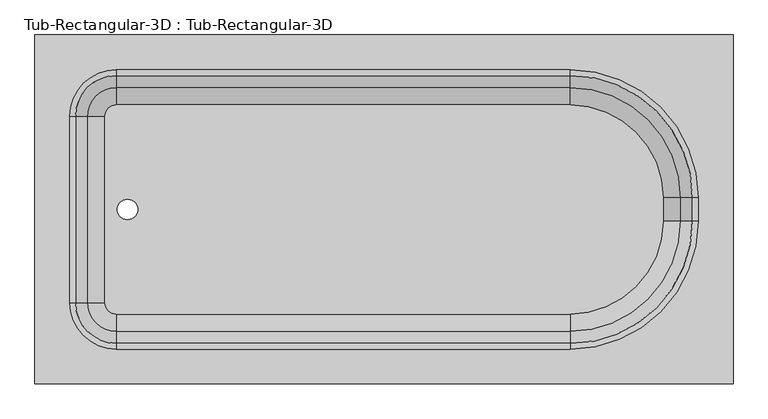
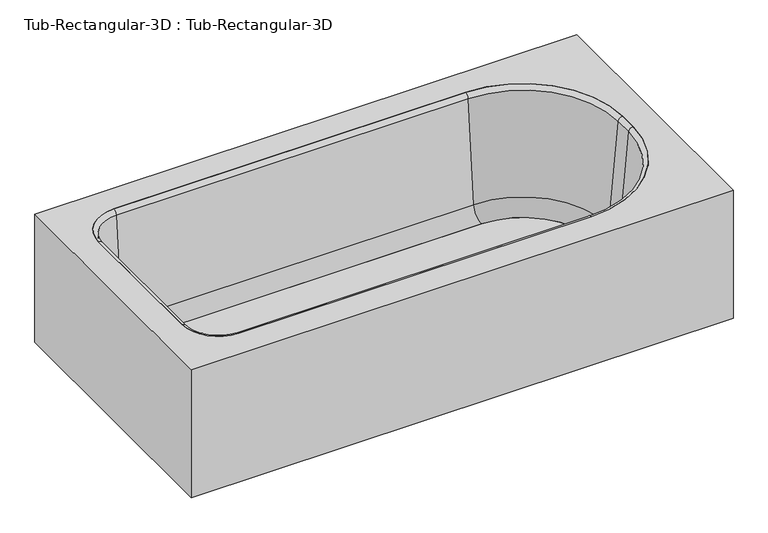
"""IFC4 building model written with IfcOpenShell, lengths in millimetres: flow terminal geometry, Tub-Rectangular-3D : Tub-Rectangular-3D."""

from ifc_helpers import new_model, si_unit, point, frame, frame_2d, origin, place, context, project, spatial, polyline, circle_curve, ellipse_curve, trimmed, segment, composite_curve, outline, extrude, source, transform, mapped, element, save
from ifc_brep_helpers import plane_surface, cylinder_surface, revolved_surface, advanced_brep


def tub_rectangular_3d_tub_rectangular_3d_1bd01900(model_context):
    return source(origin(), model_context, "Body", "SolidModel", [
        advanced_brep(
        [(413.3970313, 915.9875, 381.0), (-1110.6029687, 915.9875, 381.0), (-1110.6029687, 153.9875, 381.0), (413.3970313, 153.9875, 381.0), (-932.8029687, 839.7875, 381.0), (57.7970313, 839.7875, 381.0), (337.1970313, 560.3875, 381.0), (337.1970313, 509.5875, 381.0), (57.7970313, 230.1875, 381.0), (-932.8029687, 230.1875, 381.0), (-1034.4029687, 331.7875, 381.0), (-1034.4029687, 738.1875, 381.0), (394.3470313, 896.9375, 361.95), (394.3470313, 173.0375, 361.95), (-1091.5529687, 173.0375, 361.95), (-1091.5529687, 896.9375, 361.95), (-932.8029687, 839.7875, 361.95), (-1034.4029687, 738.1875, 361.95), (-1034.4029687, 331.7875, 361.95), (-932.8029687, 230.1875, 361.95), (57.7970313, 230.1875, 361.95), (337.1970313, 509.5875, 361.95), (337.1970313, 560.3875, 361.95), (57.7970313, 839.7875, 361.95), (413.3970313, 915.9875, 0.0), (-1110.6029687, 915.9875, 0.0), (-1110.6029687, 153.9875, 0.0), (413.3970313, 153.9875, 0.0), (394.3470313, 896.9375, 0.0), (-1091.5529687, 896.9375, 0.0), (-1091.5529687, 173.0375, 0.0), (394.3470313, 173.0375, 0.0)],
        [
            (0, 1),
            (1, 2),
            (2, 3),
            (3, 0),
            (4, 5),
            (5, 6, circle_curve(frame((57.7970313, 560.3875, 381.0), z_axis=(0.0, 0.0, -1.0), x_axis=(0.0, 1.0, 0.0)), 279.4)),
            (6, 7),
            (7, 8, circle_curve(frame((57.7970313, 509.5875, 381.0), z_axis=(0.0, 0.0, -1.0), x_axis=(0.0, 1.0, 0.0)), 279.4)),
            (8, 9),
            (9, 10, circle_curve(frame((-932.8029687, 331.7875, 381.0), z_axis=(0.0, 0.0, -1.0), x_axis=(0.0, 1.0, 0.0)), 101.6)),
            (10, 11),
            (11, 4, circle_curve(frame((-932.8029687, 738.1875, 381.0), z_axis=(0.0, 0.0, -1.0), x_axis=(0.0, 1.0, 0.0)), 101.6)),
            (12, 13),
            (13, 14),
            (14, 15),
            (15, 12),
            (16, 17, circle_curve(frame((-932.8029687, 738.1875, 361.95), z_axis=(0.0, 0.0, 1.0), x_axis=(0.0, 1.0, 0.0)), 101.6)),
            (17, 18),
            (18, 19, circle_curve(frame((-932.8029687, 331.7875, 361.95), z_axis=(0.0, 0.0, 1.0), x_axis=(0.0, 1.0, 0.0)), 101.6)),
            (19, 20),
            (20, 21, circle_curve(frame((57.7970313, 509.5875, 361.95), z_axis=(0.0, 0.0, 1.0), x_axis=(0.0, 1.0, 0.0)), 279.4)),
            (21, 22),
            (22, 23, circle_curve(frame((57.7970313, 560.3875, 361.95), z_axis=(0.0, 0.0, 1.0), x_axis=(0.0, 1.0, 0.0)), 279.4)),
            (23, 16),
            (0, 24),
            (24, 25),
            (25, 1),
            (25, 26),
            (26, 2),
            (26, 27),
            (27, 3),
            (27, 24),
            (4, 16),
            (23, 5),
            (22, 6),
            (21, 7),
            (20, 8),
            (19, 9),
            (18, 10),
            (17, 11),
            (28, 29),
            (29, 30),
            (30, 31),
            (31, 28),
            (31, 13),
            (12, 28),
            (30, 14),
            (29, 15),
        ],
        [
            plane_surface(frame((-1110.6029687, 915.9875, 381.0), z_axis=(0.0, 0.0, 1.0), x_axis=(-1.0, 0.0, 0.0))),
            plane_surface(frame((-1110.6029687, 915.9875, 361.95), z_axis=(0.0, 0.0, -1.0), x_axis=(1.0, 0.0, 0.0))),
            plane_surface(frame((413.3970313, 915.9875, 381.0), z_axis=(0.0, 1.0, 0.0), x_axis=(0.0, 0.0, -1.0))),
            plane_surface(frame((-1110.6029687, 915.9875, 381.0), z_axis=(-1.0, 0.0, 0.0), x_axis=(0.0, 0.0, -1.0))),
            plane_surface(frame((-1110.6029687, 153.9875, 381.0), z_axis=(0.0, -1.0, 0.0), x_axis=(0.0, 0.0, -1.0))),
            plane_surface(frame((413.3970313, 153.9875, 381.0), z_axis=(1.0, 0.0, 0.0), x_axis=(0.0, 0.0, -1.0))),
            plane_surface(frame((-932.8029687, 839.7875, 381.0), z_axis=(0.0, -1.0, 0.0), x_axis=(0.0, 0.0, -1.0))),
            revolved_surface(polyline([(57.7970313, 839.7875, 361.95), (57.7970313, 839.7875, 381.0)]), (57.7970313, 560.3875, 381.0), (0.0, 0.0, -1.0)),
            plane_surface(frame((337.1970313, 560.3875, 381.0), z_axis=(-1.0, 0.0, 0.0), x_axis=(0.0, 0.0, -1.0))),
            revolved_surface(polyline([(57.7970313, 788.9875, 361.95), (57.7970313, 788.9875, 381.0)]), (57.7970313, 509.5875, 381.0), (0.0, 0.0, -1.0)),
            plane_surface(frame((57.7970313, 230.1875, 381.0), z_axis=(0.0, 1.0, 0.0), x_axis=(0.0, 0.0, -1.0))),
            revolved_surface(polyline([(-932.8029687, 433.38750000000005, 361.95), (-932.8029687, 433.38750000000005, 381.0)]), (-932.8029687, 331.7875, 381.0), (0.0, 0.0, -1.0)),
            plane_surface(frame((-1034.4029687, 331.7875, 381.0), z_axis=(1.0, 0.0, 0.0), x_axis=(0.0, 0.0, -1.0))),
            revolved_surface(polyline([(-932.8029687, 839.7875, 361.95), (-932.8029687, 839.7875, 381.0)]), (-932.8029687, 738.1875, 381.0), (0.0, 0.0, -1.0)),
            plane_surface(frame((-1110.6029687, 915.9875, 0.0), z_axis=(0.0, 0.0, -1.0), x_axis=(1.0, 0.0, 0.0))),
            plane_surface(frame((394.3470313, 896.9375, 361.95), z_axis=(-1.0, 0.0, 0.0), x_axis=(0.0, 0.0, -1.0))),
            plane_surface(frame((394.3470313, 173.0375, 361.95), z_axis=(0.0, 1.0, 0.0), x_axis=(0.0, 0.0, -1.0))),
            plane_surface(frame((-1091.5529687, 173.0375, 361.95), z_axis=(1.0, 0.0, 0.0), x_axis=(0.0, 0.0, -1.0))),
            plane_surface(frame((-1091.5529687, 896.9375, 361.95), z_axis=(0.0, -1.0, 0.0), x_axis=(0.0, 0.0, -1.0))),
        ],
        [
            (0, [[1, 2, 3, 4], [5, 6, 7, 8, 9, 10, 11, 12]]),
            (1, [[13, 14, 15, 16], [17, 18, 19, 20, 21, 22, 23, 24]]),
            (2, [[-1, 25, 26, 27]]),
            (3, [[-2, -27, 28, 29]]),
            (4, [[-3, -29, 30, 31]]),
            (5, [[-25, -4, -31, 32]]),
            (6, [[-5, 33, -24, 34]]),
            (7, [[-6, -34, -23, 35]]),
            (8, [[-7, -35, -22, 36]]),
            (9, [[-8, -36, -21, 37]]),
            (10, [[-9, -37, -20, 38]]),
            (11, [[-10, -38, -19, 39]]),
            (12, [[-11, -39, -18, 40]]),
            (13, [[-12, -40, -17, -33]]),
            (14, [[-32, -30, -28, -26], [41, 42, 43, 44]]),
            (15, [[-44, 45, -13, 46]]),
            (16, [[-43, 47, -14, -45]]),
            (17, [[-42, 48, -15, -47]]),
            (18, [[-41, -46, -16, -48]]),
        ],
    ),
        extrude(outline(composite_curve([segment(trimmed(circle_curve(frame_2d((57.7970313, 560.3875)), 202.7964741), [point((57.7970313, 763.1839741))], [point((260.5935054, 560.3875))], False, "CARTESIAN"), True, "CONTINUOUS"), segment(polyline([(260.5935054, 560.3875), (260.5935054, 509.5875)]), True, "CONTINUOUS"), segment(trimmed(circle_curve(frame_2d((57.7970313, 509.5875)), 202.7964741), [point((260.5935054, 509.5875))], [point((57.7970313, 306.7910259))], False, "CARTESIAN"), True, "CONTINUOUS"), segment(polyline([(57.7970313, 306.7910259), (-932.8029687, 306.7910259)]), True, "CONTINUOUS"), segment(trimmed(circle_curve(frame_2d((-932.8029687, 331.7875)), 24.9964741), [point((-932.8029687, 306.7910259))], [point((-957.7994428, 331.7875))], False, "CARTESIAN"), True, "CONTINUOUS"), segment(polyline([(-957.7994428, 331.7875), (-957.7994428, 738.1875)]), True, "CONTINUOUS"), segment(trimmed(circle_curve(frame_2d((-932.8029687, 738.1875)), 24.9964741), [point((-957.7994428, 738.1875))], [point((-932.8029687, 763.1839741))], False, "CARTESIAN"), True, "CONTINUOUS"), segment(polyline([(-932.8029687, 763.1839741), (57.7970313, 763.1839741)]), True, "CONTINUOUS")], self_intersect=False), holes=[composite_curve([segment(trimmed(circle_curve(frame_2d((-908.510206, 534.9875)), 22.225), [point((-908.510206, 557.2125))], [point((-908.510206, 512.7625))], True, "CARTESIAN"), True, "CONTINUOUS"), segment(trimmed(circle_curve(frame_2d((-908.510206, 534.9875)), 22.225), [point((-908.510206, 512.7625))], [point((-908.510206, 557.2125))], True, "CARTESIAN"), True, "CONTINUOUS")], self_intersect=False)]), frame((0.0, 0.0, 16.863573), z_axis=(0.0, 0.0, 1.0), x_axis=(1.0, 0.0, 0.0)), (0.0, 0.0, 1.0), 19.05),
        advanced_brep(
        [(-995.7544608, 738.1875, 70.6929392), (-932.8029687, 801.1389921, 70.6929392), (-932.8029687, 827.3095035, 369.8232535), (-1021.9249722, 738.1875, 369.8232535), (-957.7994428, 738.1875, 35.913573), (-932.8029687, 763.1839741, 35.913573), (-957.7994428, 738.1875, 16.863573), (-932.8029687, 763.1839741, 16.863573), (-1034.4029687, 738.1875, 16.863573), (-932.8029687, 839.7875, 16.863573), (-1034.4029687, 738.1875, 381.0), (-932.8029687, 839.7875, 381.0), (-1021.9249722, 331.7875, 369.8232535), (-995.7544608, 331.7875, 70.6929392), (-957.7994428, 331.7875, 35.913573), (-957.7994428, 331.7875, 16.863573), (-1034.4029687, 331.7875, 16.863573), (-1034.4029687, 331.7875, 381.0), (-932.8029687, 268.8360079, 70.6929392), (-932.8029687, 242.6654965, 369.8232535), (-932.8029687, 306.7910259, 35.913573), (-932.8029687, 306.7910259, 16.863573), (-932.8029687, 230.1875, 16.863573), (-932.8029687, 230.1875, 381.0), (57.7970313, 242.6654965, 369.8232535), (57.7970313, 268.8360079, 70.6929392), (57.7970313, 306.7910259, 35.913573), (57.7970313, 306.7910259, 16.863573), (57.7970313, 230.1875, 16.863573), (57.7970313, 230.1875, 381.0), (298.5485234, 509.5875, 70.6929392), (324.7190348, 509.5875, 369.8232535), (260.5935054, 509.5875, 35.913573), (260.5935054, 509.5875, 16.863573), (337.1970313, 509.5875, 16.863573), (337.1970313, 509.5875, 381.0), (324.7190348, 560.3875, 369.8232535), (298.5485234, 560.3875, 70.6929392), (260.5935054, 560.3875, 35.913573), (260.5935054, 560.3875, 16.863573), (337.1970313, 560.3875, 16.863573), (337.1970313, 560.3875, 381.0), (57.7970313, 801.1389921, 70.6929392), (57.7970313, 827.3095035, 369.8232535), (57.7970313, 763.1839741, 35.913573), (57.7970313, 763.1839741, 16.863573), (57.7970313, 839.7875, 16.863573), (57.7970313, 839.7875, 381.0)],
        [
            (0, 1, circle_curve(frame((-932.8029687, 738.1875, 70.6929392), z_axis=(0.0, 0.0, -1.0), x_axis=(0.0, 1.0, 0.0)), 62.9514921)),
            (1, 2),
            (2, 3, circle_curve(frame((-932.8029687, 738.1875, 369.8232535), z_axis=(0.0, 0.0, 1.0), x_axis=(0.0, 1.0, 0.0)), 89.1220035)),
            (3, 0),
            (4, 5, circle_curve(frame((-932.8029687, 738.1875, 35.913573), z_axis=(0.0, 0.0, -1.0), x_axis=(0.0, 1.0, 0.0)), 24.9964741)),
            (5, 1, circle_curve(frame((-932.8029687, 763.1839741, 74.013573), z_axis=(1.0, 0.0, 0.0), x_axis=(0.0, -1.0, 0.0)), 38.1)),
            (0, 4, circle_curve(frame((-957.7994428, 738.1875, 74.013573), z_axis=(0.0, -1.0, 0.0), x_axis=(1.0, 0.0, 0.0)), 38.1)),
            (6, 7, circle_curve(frame((-932.8029687, 738.1875, 16.863573), z_axis=(0.0, 0.0, -1.0), x_axis=(0.0, 1.0, 0.0)), 24.9964741)),
            (7, 5),
            (4, 6),
            (8, 9, circle_curve(frame((-932.8029687, 738.1875, 16.863573), z_axis=(0.0, 0.0, -1.0), x_axis=(0.0, 1.0, 0.0)), 101.6)),
            (9, 7),
            (6, 8),
            (10, 11, circle_curve(frame((-932.8029687, 738.1875, 381.0), z_axis=(0.0, 0.0, -1.0), x_axis=(0.0, 1.0, 0.0)), 101.6)),
            (11, 9),
            (8, 10),
            (2, 11, circle_curve(frame((-932.8029687, 839.7875, 368.4462547), z_axis=(-1.0, 0.0, 0.0), x_axis=(0.0, -1.0, 0.0)), 12.5537453)),
            (10, 3, circle_curve(frame((-1034.4029687, 738.1875, 368.4462547), z_axis=(0.0, 1.0, 0.0), x_axis=(1.0, 0.0, 0.0)), 12.5537453)),
            (3, 12),
            (12, 13),
            (13, 0),
            (13, 14, circle_curve(frame((-957.7994428, 331.7875, 74.013573), z_axis=(0.0, -1.0, 0.0), x_axis=(1.0, 0.0, 0.0)), 38.1)),
            (14, 4),
            (14, 15),
            (15, 6),
            (15, 16),
            (16, 8),
            (16, 17),
            (17, 10),
            (17, 12, circle_curve(frame((-1034.4029687, 331.7875, 368.4462547), z_axis=(0.0, 1.0, 0.0), x_axis=(1.0, 0.0, 0.0)), 12.5537453)),
            (18, 13, circle_curve(frame((-932.8029687, 331.7875, 70.6929392), z_axis=(0.0, 0.0, -1.0), x_axis=(-1.0, 0.0, 0.0)), 62.9514921)),
            (12, 19, circle_curve(frame((-932.8029687, 331.7875, 369.8232535), z_axis=(0.0, 0.0, 1.0), x_axis=(-1.0, 0.0, 0.0)), 89.1220035)),
            (19, 18),
            (20, 14, circle_curve(frame((-932.8029687, 331.7875, 35.913573), z_axis=(0.0, 0.0, -1.0), x_axis=(-1.0, 0.0, 0.0)), 24.9964741)),
            (18, 20, circle_curve(frame((-932.8029687, 306.7910259, 74.013573), z_axis=(1.0, 0.0, 0.0), x_axis=(0.0, 1.0, 0.0)), 38.1)),
            (21, 15, circle_curve(frame((-932.8029687, 331.7875, 16.863573), z_axis=(0.0, 0.0, -1.0), x_axis=(-1.0, 0.0, 0.0)), 24.9964741)),
            (20, 21),
            (22, 16, circle_curve(frame((-932.8029687, 331.7875, 16.863573), z_axis=(0.0, 0.0, -1.0), x_axis=(-1.0, 0.0, 0.0)), 101.6)),
            (21, 22),
            (23, 17, circle_curve(frame((-932.8029687, 331.7875, 381.0), z_axis=(0.0, 0.0, -1.0), x_axis=(-1.0, 0.0, 0.0)), 101.6)),
            (22, 23),
            (23, 19, circle_curve(frame((-932.8029687, 230.1875, 368.4462547), z_axis=(-1.0, 0.0, 0.0), x_axis=(0.0, 1.0, 0.0)), 12.5537453)),
            (19, 24),
            (24, 25),
            (25, 18),
            (25, 26, circle_curve(frame((57.7970313, 306.7910259, 74.013573), z_axis=(1.0, 0.0, 0.0), x_axis=(0.0, 1.0, 0.0)), 38.1)),
            (26, 20),
            (26, 27),
            (27, 21),
            (27, 28),
            (28, 22),
            (28, 29),
            (29, 23),
            (29, 24, circle_curve(frame((57.7970313, 230.1875, 368.4462547), z_axis=(-1.0, 0.0, 0.0), x_axis=(0.0, 1.0, 0.0)), 12.5537453)),
            (30, 25, circle_curve(frame((57.7970313, 509.5875, 70.6929392), z_axis=(0.0, 0.0, -1.0), x_axis=(0.0, -1.0, 0.0)), 240.7514921)),
            (24, 31, circle_curve(frame((57.7970313, 509.5875, 369.8232535), z_axis=(0.0, 0.0, 1.0), x_axis=(0.0, -1.0, 0.0)), 266.9220035)),
            (31, 30),
            (32, 26, circle_curve(frame((57.7970313, 509.5875, 35.913573), z_axis=(0.0, 0.0, -1.0), x_axis=(0.0, -1.0, 0.0)), 202.7964741)),
            (30, 32, circle_curve(frame((260.5935054, 509.5875, 74.013573), z_axis=(0.0, 1.0, 0.0), x_axis=(-1.0, 0.0, 0.0)), 38.1)),
            (33, 27, circle_curve(frame((57.7970313, 509.5875, 16.863573), z_axis=(0.0, 0.0, -1.0), x_axis=(0.0, -1.0, 0.0)), 202.7964741)),
            (32, 33),
            (34, 28, circle_curve(frame((57.7970313, 509.5875, 16.863573), z_axis=(0.0, 0.0, -1.0), x_axis=(0.0, -1.0, 0.0)), 279.4)),
            (33, 34),
            (35, 29, circle_curve(frame((57.7970313, 509.5875, 381.0), z_axis=(0.0, 0.0, -1.0), x_axis=(0.0, -1.0, 0.0)), 279.4)),
            (34, 35),
            (35, 31, circle_curve(frame((337.1970313, 509.5875, 368.4462547), z_axis=(0.0, -1.0, 0.0), x_axis=(-1.0, 0.0, 0.0)), 12.5537453)),
            (31, 36),
            (36, 37),
            (37, 30),
            (37, 38, circle_curve(frame((260.5935054, 560.3875, 74.013573), z_axis=(0.0, 1.0, 0.0), x_axis=(-1.0, 0.0, 0.0)), 38.1)),
            (38, 32),
            (38, 39),
            (39, 33),
            (39, 40),
            (40, 34),
            (40, 41),
            (41, 35),
            (41, 36, circle_curve(frame((337.1970313, 560.3875, 368.4462547), z_axis=(0.0, -1.0, 0.0), x_axis=(-1.0, 0.0, 0.0)), 12.5537453)),
            (42, 37, circle_curve(frame((57.7970313, 560.3875, 70.6929392), z_axis=(0.0, 0.0, -1.0), x_axis=(1.0, 0.0, 0.0)), 240.7514921)),
            (36, 43, circle_curve(frame((57.7970313, 560.3875, 369.8232535), z_axis=(0.0, 0.0, 1.0), x_axis=(1.0, 0.0, 0.0)), 266.9220035)),
            (43, 42),
            (44, 38, circle_curve(frame((57.7970313, 560.3875, 35.913573), z_axis=(0.0, 0.0, -1.0), x_axis=(1.0, 0.0, 0.0)), 202.7964741)),
            (42, 44, circle_curve(frame((57.7970313, 763.1839741, 74.013573), z_axis=(-1.0, 0.0, 0.0), x_axis=(0.0, -1.0, 0.0)), 38.1)),
            (45, 39, circle_curve(frame((57.7970313, 560.3875, 16.863573), z_axis=(0.0, 0.0, -1.0), x_axis=(1.0, 0.0, 0.0)), 202.7964741)),
            (44, 45),
            (46, 40, circle_curve(frame((57.7970313, 560.3875, 16.863573), z_axis=(0.0, 0.0, -1.0), x_axis=(1.0, 0.0, 0.0)), 279.4)),
            (45, 46),
            (47, 41, circle_curve(frame((57.7970313, 560.3875, 381.0), z_axis=(0.0, 0.0, -1.0), x_axis=(1.0, 0.0, 0.0)), 279.4)),
            (46, 47),
            (47, 43, circle_curve(frame((57.7970313, 839.7875, 368.4462547), z_axis=(1.0, 0.0, 0.0), x_axis=(0.0, -1.0, 0.0)), 12.5537453)),
            (43, 2),
            (1, 42),
            (5, 44),
            (7, 45),
            (9, 46),
            (11, 47),
        ],
        [
            revolved_surface(polyline([(-932.8029687, 827.3095035, 369.8232535), (-932.8029687, 801.1389921, 70.6929392)]), (-932.8029687, 738.1875, 381.0), (0.0, 0.0, 1.0)),
            revolved_surface(trimmed(ellipse_curve(frame((-932.8029687, 763.1839741, 74.013573), z_axis=(-1.0, 0.0, 0.0), x_axis=(0.0, -1.0, 0.0)), 38.1, 38.1), [point((-932.8029687, 801.1389921, 70.6929392))], [point((-932.8029687, 763.1839741, 35.913573))], True, "CARTESIAN"), (-932.8029687, 738.1875, 381.0), (0.0, 0.0, 1.0)),
            revolved_surface(polyline([(-932.8029687, 763.1839741, 35.913572999999985), (-932.8029687, 763.1839741, 16.863572999999974)]), (-932.8029687, 738.1875, 381.0), (0.0, 0.0, 1.0)),
            plane_surface(frame((-932.8029687, 738.1875, 16.863573), z_axis=(0.0, 0.0, -1.0), x_axis=(0.0, 1.0, 0.0))),
            cylinder_surface(frame((-932.8029687, 738.1875, 381.0), z_axis=(0.0, 0.0, 1.0), x_axis=(0.0, 1.0, 0.0)), 101.6),
            revolved_surface(trimmed(ellipse_curve(frame((-932.8029687, 839.7875, 368.4462547), z_axis=(1.0, 0.0, 0.0), x_axis=(0.0, -1.0, 0.0)), 12.5537453, 12.5537453), [point((-932.8029687, 839.7875, 381.0))], [point((-932.8029687, 827.3095035, 369.8232535))], True, "CARTESIAN"), (-932.8029687, 738.1875, 381.0), (0.0, 0.0, 1.0)),
            plane_surface(frame((-1021.9249722, 738.1875, 369.8232535), z_axis=(0.9961946980917458, 0.0, 0.08715574274765589), x_axis=(0.0, -1.0, 0.0))),
            revolved_surface(polyline([(-919.6994427999999, 331.7875, 74.013573), (-919.6994427999999, 738.1875, 74.013573)]), (-957.7994428, 738.1875, 74.013573), (0.0, -1.0, 0.0)),
            plane_surface(frame((-957.7994428, 738.1875, 35.913573), z_axis=(1.0, 0.0, 0.0), x_axis=(0.0, -1.0, 0.0))),
            plane_surface(frame((-957.7994428, 738.1875, 16.863573), z_axis=(0.0, 0.0, -1.0), x_axis=(0.0, -1.0, 0.0))),
            plane_surface(frame((-1034.4029687, 738.1875, 16.863573), z_axis=(-1.0, 0.0, 0.0), x_axis=(0.0, -1.0, 0.0))),
            cylinder_surface(frame((-1034.4029687, 738.1875, 368.4462547), z_axis=(0.0, 1.0, 0.0), x_axis=(1.0, 0.0, 0.0)), 12.5537453),
            revolved_surface(polyline([(-1021.9249722, 331.7875, 369.8232535), (-995.7544608, 331.7875, 70.6929392)]), (-932.8029687, 331.7875, 381.0), (0.0, 0.0, 1.0)),
            revolved_surface(trimmed(ellipse_curve(frame((-957.7994428, 331.7875, 74.013573), z_axis=(0.0, -1.0, 0.0), x_axis=(1.0, 0.0, 0.0)), 38.1, 38.1), [point((-995.7544608, 331.7875, 70.6929392))], [point((-957.7994428, 331.7875, 35.913573))], True, "CARTESIAN"), (-932.8029687, 331.7875, 381.0), (0.0, 0.0, 1.0)),
            revolved_surface(polyline([(-957.7994428, 331.7875, 35.913572999999985), (-957.7994428, 331.7875, 16.863572999999974)]), (-932.8029687, 331.7875, 381.0), (0.0, 0.0, 1.0)),
            plane_surface(frame((-932.8029687, 331.7875, 16.863573), z_axis=(0.0, 0.0, -1.0), x_axis=(-1.0, 0.0, 0.0))),
            cylinder_surface(frame((-932.8029687, 331.7875, 381.0), z_axis=(0.0, 0.0, 1.0), x_axis=(-1.0, 0.0, 0.0)), 101.6),
            revolved_surface(trimmed(ellipse_curve(frame((-1034.4029687, 331.7875, 368.4462547), z_axis=(0.0, 1.0, 0.0), x_axis=(1.0, 0.0, 0.0)), 12.5537453, 12.5537453), [point((-1034.4029687, 331.7875, 381.0))], [point((-1021.9249722, 331.7875, 369.8232535))], True, "CARTESIAN"), (-932.8029687, 331.7875, 381.0), (0.0, 0.0, 1.0)),
            plane_surface(frame((-932.8029687, 242.6654965, 369.8232535), z_axis=(0.0, 0.9961946980917461, 0.08715574274765266), x_axis=(1.0, 0.0, 0.0))),
            revolved_surface(polyline([(57.79703129999996, 344.89102590000005, 74.013573), (-932.8029687, 344.89102590000005, 74.013573)]), (-932.8029687, 306.7910259, 74.013573), (1.0, 0.0, 0.0)),
            plane_surface(frame((-932.8029687, 306.7910259, 35.913573), z_axis=(0.0, 1.0, 0.0), x_axis=(1.0, 0.0, 0.0))),
            plane_surface(frame((-932.8029687, 306.7910259, 16.863573), z_axis=(0.0, 0.0, -1.0), x_axis=(1.0, 0.0, 0.0))),
            plane_surface(frame((-932.8029687, 230.1875, 16.863573), z_axis=(0.0, -1.0, 0.0), x_axis=(1.0, 0.0, 0.0))),
            cylinder_surface(frame((-932.8029687, 230.1875, 368.4462547), z_axis=(-1.0, 0.0, 0.0), x_axis=(0.0, 1.0, 0.0)), 12.5537453),
            revolved_surface(polyline([(57.7970313, 242.6654965, 369.8232535), (57.7970313, 268.8360079, 70.6929392)]), (57.7970313, 509.5875, 381.0), (0.0, 0.0, 1.0)),
            revolved_surface(trimmed(ellipse_curve(frame((57.7970313, 306.7910259, 74.013573), z_axis=(1.0, 0.0, 0.0), x_axis=(0.0, 1.0, 0.0)), 38.1, 38.1), [point((57.7970313, 268.8360079, 70.6929392))], [point((57.7970313, 306.7910259, 35.913573))], True, "CARTESIAN"), (57.7970313, 509.5875, 381.0), (0.0, 0.0, 1.0)),
            revolved_surface(polyline([(57.7970313, 306.79102589999997, 35.913572999999985), (57.7970313, 306.79102589999997, 16.863572999999974)]), (57.7970313, 509.5875, 381.0), (0.0, 0.0, 1.0)),
            plane_surface(frame((57.7970313, 509.5875, 16.863573), z_axis=(0.0, 0.0, -1.0), x_axis=(0.0, -1.0, 0.0))),
            cylinder_surface(frame((57.7970313, 509.5875, 381.0), z_axis=(0.0, 0.0, 1.0), x_axis=(0.0, -1.0, 0.0)), 279.4),
            revolved_surface(trimmed(ellipse_curve(frame((57.7970313, 230.1875, 368.4462547), z_axis=(-1.0, 0.0, 0.0), x_axis=(0.0, 1.0, 0.0)), 12.5537453, 12.5537453), [point((57.7970313, 230.1875, 381.0))], [point((57.7970313, 242.6654965, 369.8232535))], True, "CARTESIAN"), (57.7970313, 509.5875, 381.0), (0.0, 0.0, 1.0)),
            plane_surface(frame((324.7190348, 509.5875, 369.8232535), z_axis=(-0.9961946980917464, 0.0, 0.08715574274764942), x_axis=(0.0, 1.0, 0.0))),
            revolved_surface(polyline([(222.49350540000003, 560.3875, 74.013573), (222.49350540000003, 509.5875, 74.013573)]), (260.5935054, 509.5875, 74.013573), (0.0, 1.0, 0.0)),
            plane_surface(frame((260.5935054, 509.5875, 35.913573), z_axis=(-1.0, 0.0, 0.0), x_axis=(0.0, 1.0, 0.0))),
            plane_surface(frame((260.5935054, 509.5875, 16.863573), z_axis=(0.0, 0.0, -1.0), x_axis=(0.0, 1.0, 0.0))),
            plane_surface(frame((337.1970313, 509.5875, 16.863573), z_axis=(1.0, 0.0, 0.0), x_axis=(0.0, 1.0, 0.0))),
            cylinder_surface(frame((337.1970313, 509.5875, 368.4462547), z_axis=(0.0, -1.0, 0.0), x_axis=(-1.0, 0.0, 0.0)), 12.5537453),
            revolved_surface(polyline([(324.7190348, 560.3875, 369.8232535), (298.5485234, 560.3875, 70.6929392)]), (57.7970313, 560.3875, 381.0), (0.0, 0.0, 1.0)),
            revolved_surface(trimmed(ellipse_curve(frame((260.5935054, 560.3875, 74.013573), z_axis=(0.0, 1.0, 0.0), x_axis=(-1.0, 0.0, 0.0)), 38.1, 38.1), [point((298.5485234, 560.3875, 70.6929392))], [point((260.5935054, 560.3875, 35.913573))], True, "CARTESIAN"), (57.7970313, 560.3875, 381.0), (0.0, 0.0, 1.0)),
            revolved_surface(polyline([(260.5935054, 560.3875, 35.913572999999985), (260.5935054, 560.3875, 16.863572999999974)]), (57.7970313, 560.3875, 381.0), (0.0, 0.0, 1.0)),
            plane_surface(frame((57.7970313, 560.3875, 16.863573), z_axis=(0.0, 0.0, -1.0), x_axis=(1.0, 0.0, 0.0))),
            cylinder_surface(frame((57.7970313, 560.3875, 381.0), z_axis=(0.0, 0.0, 1.0), x_axis=(1.0, 0.0, 0.0)), 279.4),
            revolved_surface(trimmed(ellipse_curve(frame((337.1970313, 560.3875, 368.4462547), z_axis=(0.0, -1.0, 0.0), x_axis=(-1.0, 0.0, 0.0)), 12.5537453, 12.5537453), [point((337.1970313, 560.3875, 381.0))], [point((324.7190348, 560.3875, 369.8232535))], True, "CARTESIAN"), (57.7970313, 560.3875, 381.0), (0.0, 0.0, 1.0)),
            plane_surface(frame((57.7970313, 827.3095035, 369.8232535), z_axis=(0.0, -0.9961946980917461, 0.08715574274765266), x_axis=(-1.0, 0.0, 0.0))),
            revolved_surface(polyline([(-932.8029687, 725.0839741, 74.013573), (57.7970313, 725.0839741, 74.013573)]), (57.7970313, 763.1839741, 74.013573), (-1.0, 0.0, 0.0)),
            plane_surface(frame((57.7970313, 763.1839741, 35.913573), z_axis=(0.0, -1.0, 0.0), x_axis=(-1.0, 0.0, 0.0))),
            plane_surface(frame((57.7970313, 763.1839741, 16.863573), z_axis=(0.0, 0.0, -1.0), x_axis=(-1.0, 0.0, 0.0))),
            plane_surface(frame((57.7970313, 839.7875, 16.863573), z_axis=(0.0, 1.0, 0.0), x_axis=(-1.0, 0.0, 0.0))),
            cylinder_surface(frame((57.7970313, 839.7875, 368.4462547), z_axis=(1.0, 0.0, 0.0), x_axis=(0.0, -1.0, 0.0)), 12.5537453),
        ],
        [
            (0, [[1, 2, 3, 4]]),
            (1, [[5, 6, -1, 7]]),
            (2, [[8, 9, -5, 10]]),
            (3, [[11, 12, -8, 13]]),
            (4, [[14, 15, -11, 16]]),
            (5, [[-3, 17, -14, 18]]),
            (6, [[-4, 19, 20, 21]]),
            (7, [[-7, -21, 22, 23]]),
            (8, [[-10, -23, 24, 25]]),
            (9, [[-13, -25, 26, 27]]),
            (10, [[-16, -27, 28, 29]]),
            (11, [[-18, -29, 30, -19]]),
            (12, [[31, -20, 32, 33]]),
            (13, [[34, -22, -31, 35]]),
            (14, [[36, -24, -34, 37]]),
            (15, [[38, -26, -36, 39]]),
            (16, [[40, -28, -38, 41]]),
            (17, [[-32, -30, -40, 42]]),
            (18, [[-33, 43, 44, 45]]),
            (19, [[-35, -45, 46, 47]]),
            (20, [[-37, -47, 48, 49]]),
            (21, [[-39, -49, 50, 51]]),
            (22, [[-41, -51, 52, 53]]),
            (23, [[-42, -53, 54, -43]]),
            (24, [[55, -44, 56, 57]]),
            (25, [[58, -46, -55, 59]]),
            (26, [[60, -48, -58, 61]]),
            (27, [[62, -50, -60, 63]]),
            (28, [[64, -52, -62, 65]]),
            (29, [[-56, -54, -64, 66]]),
            (30, [[-57, 67, 68, 69]]),
            (31, [[-59, -69, 70, 71]]),
            (32, [[-61, -71, 72, 73]]),
            (33, [[-63, -73, 74, 75]]),
            (34, [[-65, -75, 76, 77]]),
            (35, [[-66, -77, 78, -67]]),
            (36, [[79, -68, 80, 81]]),
            (37, [[82, -70, -79, 83]]),
            (38, [[84, -72, -82, 85]]),
            (39, [[86, -74, -84, 87]]),
            (40, [[88, -76, -86, 89]]),
            (41, [[-80, -78, -88, 90]]),
            (42, [[-81, 91, -2, 92]]),
            (43, [[-83, -92, -6, 93]]),
            (44, [[-85, -93, -9, 94]]),
            (45, [[-87, -94, -12, 95]]),
            (46, [[-89, -95, -15, 96]]),
            (47, [[-90, -96, -17, -91]]),
        ],
    ),
    ])


if __name__ == "__main__":
    model = new_model("IFC4")
    model_context = context("Model", 3, world=origin())
    ifc_project = project(units=[si_unit("LENGTHUNIT", "METRE", prefix="MILLI")], contexts=[model_context])
    site = spatial("IfcSite", under=ifc_project)
    building = spatial("IfcBuilding", under=site)
    placement = place(None, origin())
    tub_rectangular_3d_tub_rectangular_3d_shape = tub_rectangular_3d_tub_rectangular_3d_1bd01900(model_context)
    element("IfcFlowTerminal", 1, ObjectType="Tub-Rectangular-3D : Tub-Rectangular-3D", at=placement, inside=building, context=model_context, shape_type="MappedRepresentation", body=[
        mapped(tub_rectangular_3d_tub_rectangular_3d_shape, transform((0.0, 0.0, 0.0), x_axis=(1.0, 0.0, 0.0), y_axis=(0.0, 1.0, 0.0), z_axis=(0.0, 0.0, 1.0))),
    ])
    save(model, "model.ifc")
